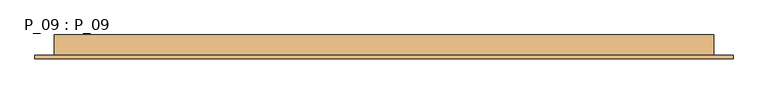
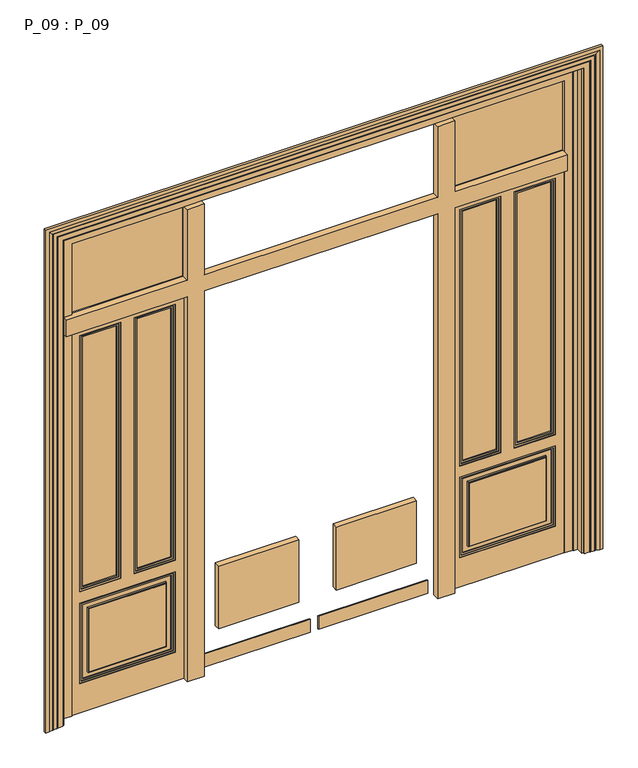
"""IFC4 building model written with IfcOpenShell, lengths in millimetres: door geometry, P_09 : P_09."""

from ifc_helpers import new_model, si_unit, frame, origin, origin_with_axes, place, context, project, spatial, polyline, outline, extrude, faceted_brep, source, transform, mapped, element, save


def p_09_p_09_1a4779af(model_context):
    return source(origin(), model_context, "Body", "SolidModel", [
        faceted_brep([(1155.0, -218.0, 750.0), (1395.0, -218.0, 750.0), (1395.0, -218.0, 2340.0), (1155.0, -218.0, 2340.0), (1165.0, -218.0, 2330.0), (1385.0, -218.0, 2330.0), (1385.0, -218.0, 760.0), (1165.0, -218.0, 760.0), (835.0, -218.0, 750.0), (1075.0, -218.0, 750.0), (1075.0, -218.0, 2340.0), (835.0, -218.0, 2340.0), (845.0, -218.0, 2330.0), (1065.0, -218.0, 2330.0), (1065.0, -218.0, 760.0), (845.0, -218.0, 760.0), (885.0, -218.0, 630.0), (885.0, -218.0, 230.0), (1345.0, -218.0, 230.0), (1345.0, -218.0, 630.0), (1340.0, -218.0, 625.0), (1340.0, -218.0, 235.0), (890.0, -218.0, 235.0), (890.0, -218.0, 625.0), (835.0, -218.0, 180.0), (1395.0, -218.0, 180.0), (1395.0, -218.0, 680.0), (835.0, -218.0, 680.0), (845.0, -218.0, 670.0), (1385.0, -218.0, 670.0), (1385.0, -218.0, 190.0), (845.0, -218.0, 190.0), (1165.0, -214.0, 760.0), (1165.0, -214.0, 2330.0), (1165.0, -192.0, 2330.0), (1165.0, -196.0, 2330.0), (1165.0, -196.0, 760.0), (1165.0, -192.0, 760.0), (1385.0, -196.0, 760.0), (1385.0, -192.0, 760.0), (1385.0, -214.0, 760.0), (1385.0, -196.0, 2330.0), (1385.0, -192.0, 2330.0), (1385.0, -214.0, 2330.0), (845.0, -214.0, 760.0), (845.0, -214.0, 2330.0), (845.0, -192.0, 2330.0), (845.0, -196.0, 2330.0), (845.0, -196.0, 760.0), (845.0, -192.0, 760.0), (1065.0, -196.0, 760.0), (1065.0, -192.0, 760.0), (1065.0, -214.0, 760.0), (1065.0, -196.0, 2330.0), (1065.0, -192.0, 2330.0), (1065.0, -214.0, 2330.0), (845.0, -214.0, 190.0), (845.0, -214.0, 670.0), (845.0, -192.0, 670.0), (845.0, -196.0, 670.0), (845.0, -196.0, 190.0), (845.0, -192.0, 190.0), (1385.0, -196.0, 190.0), (1385.0, -192.0, 190.0), (1385.0, -214.0, 190.0), (1385.0, -196.0, 670.0), (1385.0, -192.0, 670.0), (1385.0, -214.0, 670.0), (1345.0, -210.0, 630.0), (885.0, -210.0, 630.0), (885.0, -192.0, 630.0), (885.0, -200.0, 630.0), (1345.0, -200.0, 630.0), (1345.0, -192.0, 630.0), (1345.0, -200.0, 230.0), (1345.0, -192.0, 230.0), (1345.0, -210.0, 230.0), (885.0, -200.0, 230.0), (885.0, -192.0, 230.0), (885.0, -210.0, 230.0), (890.0, -188.0, 625.0), (890.0, -192.0, 625.0), (1340.0, -192.0, 625.0), (1340.0, -188.0, 625.0), (1340.0, -222.0, 625.0), (890.0, -222.0, 625.0), (890.0, -222.0, 235.0), (890.0, -188.0, 235.0), (890.0, -192.0, 235.0), (1340.0, -222.0, 235.0), (1340.0, -188.0, 235.0), (1340.0, -192.0, 235.0), (1155.0, -222.0, 750.0), (1155.0, -222.0, 2340.0), (1155.0, -188.0, 2340.0), (1155.0, -192.0, 2340.0), (1155.0, -192.0, 750.0), (1155.0, -188.0, 750.0), (1395.0, -188.0, 750.0), (1395.0, -192.0, 750.0), (1395.0, -192.0, 2340.0), (1395.0, -188.0, 2340.0), (1395.0, -222.0, 2340.0), (1395.0, -222.0, 750.0), (835.0, -222.0, 750.0), (835.0, -222.0, 2340.0), (835.0, -188.0, 2340.0), (835.0, -192.0, 2340.0), (835.0, -192.0, 750.0), (835.0, -188.0, 750.0), (1075.0, -188.0, 750.0), (1075.0, -192.0, 750.0), (1075.0, -192.0, 2340.0), (1075.0, -188.0, 2340.0), (1075.0, -222.0, 2340.0), (1075.0, -222.0, 750.0), (835.0, -222.0, 180.0), (835.0, -222.0, 680.0), (835.0, -188.0, 680.0), (835.0, -192.0, 680.0), (835.0, -192.0, 180.0), (835.0, -188.0, 180.0), (1395.0, -222.0, 680.0), (1395.0, -188.0, 680.0), (1395.0, -192.0, 680.0), (1395.0, -222.0, 180.0), (1395.0, -188.0, 180.0), (1395.0, -192.0, 180.0), (785.0, -222.0, 2390.0), (785.0, -222.0, 0.0), (1445.0, -222.0, 0.0), (1445.0, -222.0, 2390.0), (1445.0, -210.0, 0.0), (1445.0, -200.0, 0.0), (1445.0, -188.0, 0.0), (1445.0, -188.0, 2390.0), (1445.0, -200.0, 2390.0), (1445.0, -210.0, 2390.0), (785.0, -188.0, 2390.0), (785.0, -188.0, 0.0), (785.0, -210.0, 0.0), (785.0, -200.0, 0.0), (785.0, -210.0, 2390.0), (785.0, -200.0, 2390.0), (1175.0, -214.0, 2320.0), (1375.0, -214.0, 2320.0), (1375.0, -214.0, 770.0), (1175.0, -214.0, 770.0), (855.0, -214.0, 2320.0), (1055.0, -214.0, 2320.0), (1055.0, -214.0, 770.0), (855.0, -214.0, 770.0), (855.0, -214.0, 660.0), (1375.0, -214.0, 660.0), (1375.0, -214.0, 200.0), (855.0, -214.0, 200.0), (855.0, -196.0, 660.0), (855.0, -196.0, 200.0), (1375.0, -196.0, 200.0), (1375.0, -196.0, 660.0), (1175.0, -196.0, 2320.0), (1175.0, -196.0, 770.0), (1375.0, -196.0, 770.0), (1375.0, -196.0, 2320.0), (855.0, -196.0, 2320.0), (855.0, -196.0, 770.0), (1055.0, -196.0, 770.0), (1055.0, -196.0, 2320.0), (855.0, -210.0, 200.0), (1375.0, -210.0, 200.0), (1375.0, -210.0, 660.0), (855.0, -210.0, 660.0), (855.0, -200.0, 660.0), (1375.0, -200.0, 660.0), (1375.0, -200.0, 200.0), (855.0, -200.0, 200.0), (1175.0, -210.0, 770.0), (1175.0, -200.0, 770.0), (1175.0, -200.0, 2320.0), (1175.0, -210.0, 2320.0), (1375.0, -210.0, 770.0), (1375.0, -200.0, 770.0), (1375.0, -210.0, 2320.0), (1375.0, -200.0, 2320.0), (855.0, -210.0, 770.0), (855.0, -200.0, 770.0), (855.0, -200.0, 2320.0), (855.0, -210.0, 2320.0), (1055.0, -210.0, 770.0), (1055.0, -200.0, 770.0), (1055.0, -210.0, 2320.0), (1055.0, -200.0, 2320.0)], [[[0, 1, 2, 3], [4, 5, 6, 7]], [[8, 9, 10, 11], [12, 13, 14, 15]], [[16, 17, 18, 19], [20, 21, 22, 23]], [[24, 25, 26, 27], [28, 29, 30, 31]], [[7, 32, 33, 4]], [[34, 35, 36, 37]], [[37, 36, 38, 39]], [[6, 40, 32, 7]], [[39, 38, 41, 42]], [[5, 43, 40, 6]], [[15, 44, 45, 12]], [[46, 47, 48, 49]], [[49, 48, 50, 51]], [[14, 52, 44, 15]], [[51, 50, 53, 54]], [[13, 55, 52, 14]], [[31, 56, 57, 28]], [[58, 59, 60, 61]], [[61, 60, 62, 63]], [[30, 64, 56, 31]], [[63, 62, 65, 66]], [[29, 67, 64, 30]], [[28, 57, 67, 29]], [[66, 65, 59, 58]], [[19, 68, 69, 16]], [[70, 71, 72, 73]], [[73, 72, 74, 75]], [[18, 76, 68, 19]], [[75, 74, 77, 78]], [[17, 79, 76, 18]], [[16, 69, 79, 17]], [[78, 77, 71, 70]], [[80, 81, 82, 83]], [[84, 20, 23, 85]], [[85, 23, 22, 86]], [[87, 88, 81, 80]], [[86, 22, 21, 89]], [[90, 91, 88, 87]], [[83, 82, 91, 90]], [[89, 21, 20, 84]], [[92, 0, 3, 93]], [[94, 95, 96, 97]], [[98, 99, 100, 101]], [[102, 2, 1, 103]], [[97, 96, 99, 98]], [[103, 1, 0, 92]], [[104, 8, 11, 105]], [[106, 107, 108, 109]], [[110, 111, 112, 113]], [[114, 10, 9, 115]], [[109, 108, 111, 110]], [[115, 9, 8, 104]], [[116, 24, 27, 117]], [[118, 119, 120, 121]], [[117, 27, 26, 122]], [[123, 124, 119, 118]], [[122, 26, 25, 125]], [[126, 127, 124, 123]], [[121, 120, 127, 126]], [[125, 25, 24, 116]], [[70, 73, 75, 78], [81, 88, 91, 82]], [[119, 124, 127, 120], [58, 61, 63, 66]], [[95, 100, 99, 96], [34, 37, 39, 42]], [[107, 112, 111, 108], [46, 49, 51, 54]], [[128, 129, 130, 131], [117, 122, 125, 116], [93, 102, 103, 92], [105, 114, 115, 104]], [[130, 132, 133, 134, 135, 136, 137, 131]], [[138, 135, 134, 139], [94, 97, 98, 101], [106, 109, 110, 113], [118, 121, 126, 123]], [[129, 140, 141, 139, 134, 133, 132, 130]], [[128, 142, 143, 138, 139, 141, 140, 129]], [[32, 40, 43, 33], [144, 145, 146, 147]], [[44, 52, 55, 45], [148, 149, 150, 151]], [[56, 64, 67, 57], [152, 153, 154, 155]], [[59, 65, 62, 60], [156, 157, 158, 159]], [[35, 41, 38, 36], [160, 161, 162, 163]], [[47, 53, 50, 48], [164, 165, 166, 167]], [[168, 169, 170, 171], [68, 76, 79, 69]], [[172, 173, 174, 175], [71, 77, 74, 72]], [[147, 176, 177, 161, 160, 178, 179, 144]], [[146, 180, 181, 162, 161, 177, 176, 147]], [[145, 182, 183, 163, 162, 181, 180, 146]], [[151, 184, 185, 165, 164, 186, 187, 148]], [[150, 188, 189, 166, 165, 185, 184, 151]], [[149, 190, 191, 167, 166, 189, 188, 150]], [[155, 168, 171, 152]], [[156, 172, 175, 157]], [[157, 175, 174, 158]], [[154, 169, 168, 155]], [[158, 174, 173, 159]], [[153, 170, 169, 154]], [[152, 171, 170, 153]], [[159, 173, 172, 156]], [[80, 83, 90, 87]], [[85, 86, 89, 84]], [[4, 33, 43, 5]], [[42, 41, 35, 34]], [[12, 45, 55, 13]], [[54, 53, 47, 46]], [[93, 3, 2, 102]], [[101, 100, 95, 94]], [[105, 11, 10, 114]], [[113, 112, 107, 106]], [[131, 137, 136, 135, 138, 143, 142, 128]], [[144, 179, 178, 160, 163, 183, 182, 145]], [[148, 187, 186, 164, 167, 191, 190, 149]]]),
        extrude(outline(polyline([(1375.0, -203.0), (1375.0, -207.0), (1175.0, -207.0), (1175.0, -203.0), (1375.0, -203.0)])), frame((0.0, 0.0, 770.0), z_axis=(0.0, 0.0, 1.0), x_axis=(1.0, 0.0, 0.0)), (0.0, 0.0, 1.0), 1550.0),
        extrude(outline(polyline([(1055.0, -203.0), (1055.0, -207.0), (855.0, -207.0), (855.0, -203.0), (1055.0, -203.0)])), frame((0.0, 0.0, 770.0), z_axis=(0.0, 0.0, 1.0), x_axis=(1.0, 0.0, 0.0)), (0.0, 0.0, 1.0), 1550.0),
        extrude(outline(polyline([(-1175.0, -203.0), (-1175.0, -207.0), (-1375.0, -207.0), (-1375.0, -203.0), (-1175.0, -203.0)])), frame((0.0, 0.0, 770.0), z_axis=(0.0, 0.0, 1.0), x_axis=(1.0, 0.0, 0.0)), (0.0, 0.0, 1.0), 1550.0),
        extrude(outline(polyline([(-855.0, -203.0), (-855.0, -207.0), (-1055.0, -207.0), (-1055.0, -203.0), (-855.0, -203.0)])), frame((0.0, 0.0, 770.0), z_axis=(0.0, 0.0, 1.0), x_axis=(1.0, 0.0, 0.0)), (0.0, 0.0, 1.0), 1550.0),
        faceted_brep([(-835.0, -218.0, 680.0), (-1395.0, -218.0, 680.0), (-1395.0, -218.0, 180.0), (-835.0, -218.0, 180.0), (-845.0, -218.0, 670.0), (-845.0, -218.0, 190.0), (-1385.0, -218.0, 190.0), (-1385.0, -218.0, 670.0), (-885.0, -218.0, 630.0), (-1345.0, -218.0, 630.0), (-1345.0, -218.0, 230.0), (-885.0, -218.0, 230.0), (-890.0, -218.0, 625.0), (-890.0, -218.0, 235.0), (-1340.0, -218.0, 235.0), (-1340.0, -218.0, 625.0), (-1155.0, -218.0, 2340.0), (-1395.0, -218.0, 2340.0), (-1395.0, -218.0, 750.0), (-1155.0, -218.0, 750.0), (-1165.0, -218.0, 2330.0), (-1165.0, -218.0, 760.0), (-1385.0, -218.0, 760.0), (-1385.0, -218.0, 2330.0), (-835.0, -218.0, 2340.0), (-1075.0, -218.0, 2340.0), (-1075.0, -218.0, 750.0), (-835.0, -218.0, 750.0), (-845.0, -218.0, 2330.0), (-845.0, -218.0, 760.0), (-1065.0, -218.0, 760.0), (-1065.0, -218.0, 2330.0), (-1385.0, -214.0, 760.0), (-1385.0, -214.0, 2330.0), (-1385.0, -192.0, 2330.0), (-1385.0, -196.0, 2330.0), (-1385.0, -196.0, 760.0), (-1385.0, -192.0, 760.0), (-1165.0, -196.0, 760.0), (-1165.0, -192.0, 760.0), (-1165.0, -214.0, 760.0), (-1165.0, -196.0, 2330.0), (-1165.0, -192.0, 2330.0), (-1165.0, -214.0, 2330.0), (-1065.0, -214.0, 760.0), (-1065.0, -214.0, 2330.0), (-1065.0, -192.0, 2330.0), (-1065.0, -196.0, 2330.0), (-1065.0, -196.0, 760.0), (-1065.0, -192.0, 760.0), (-845.0, -196.0, 760.0), (-845.0, -192.0, 760.0), (-845.0, -214.0, 760.0), (-845.0, -196.0, 2330.0), (-845.0, -192.0, 2330.0), (-845.0, -214.0, 2330.0), (-1385.0, -214.0, 670.0), (-845.0, -214.0, 670.0), (-845.0, -192.0, 670.0), (-845.0, -196.0, 670.0), (-1385.0, -196.0, 670.0), (-1385.0, -192.0, 670.0), (-1385.0, -196.0, 190.0), (-1385.0, -192.0, 190.0), (-1385.0, -214.0, 190.0), (-845.0, -196.0, 190.0), (-845.0, -192.0, 190.0), (-845.0, -214.0, 190.0), (-1155.0, -188.0, 750.0), (-1155.0, -192.0, 750.0), (-1155.0, -192.0, 2340.0), (-1155.0, -188.0, 2340.0), (-1155.0, -222.0, 2340.0), (-1155.0, -222.0, 750.0), (-1395.0, -222.0, 750.0), (-1395.0, -188.0, 750.0), (-1395.0, -192.0, 750.0), (-1395.0, -222.0, 2340.0), (-1395.0, -188.0, 2340.0), (-1395.0, -192.0, 2340.0), (-835.0, -188.0, 750.0), (-835.0, -192.0, 750.0), (-835.0, -192.0, 2340.0), (-835.0, -188.0, 2340.0), (-835.0, -222.0, 2340.0), (-835.0, -222.0, 750.0), (-1075.0, -222.0, 750.0), (-1075.0, -188.0, 750.0), (-1075.0, -192.0, 750.0), (-1075.0, -222.0, 2340.0), (-1075.0, -188.0, 2340.0), (-1075.0, -192.0, 2340.0), (-835.0, -222.0, 680.0), (-835.0, -222.0, 180.0), (-835.0, -188.0, 180.0), (-835.0, -192.0, 180.0), (-835.0, -192.0, 680.0), (-835.0, -188.0, 680.0), (-1395.0, -222.0, 180.0), (-1395.0, -188.0, 180.0), (-1395.0, -192.0, 180.0), (-1395.0, -222.0, 680.0), (-1395.0, -188.0, 680.0), (-1395.0, -192.0, 680.0), (-885.0, -210.0, 230.0), (-885.0, -210.0, 630.0), (-885.0, -192.0, 630.0), (-885.0, -200.0, 630.0), (-885.0, -200.0, 230.0), (-885.0, -192.0, 230.0), (-1345.0, -200.0, 230.0), (-1345.0, -192.0, 230.0), (-1345.0, -210.0, 230.0), (-1345.0, -200.0, 630.0), (-1345.0, -192.0, 630.0), (-1345.0, -210.0, 630.0), (-1340.0, -188.0, 625.0), (-1340.0, -192.0, 625.0), (-890.0, -192.0, 625.0), (-890.0, -188.0, 625.0), (-890.0, -222.0, 625.0), (-1340.0, -222.0, 625.0), (-1340.0, -222.0, 235.0), (-1340.0, -188.0, 235.0), (-1340.0, -192.0, 235.0), (-890.0, -222.0, 235.0), (-890.0, -188.0, 235.0), (-890.0, -192.0, 235.0), (-785.0, -222.0, 2390.0), (-1445.0, -222.0, 2390.0), (-1445.0, -222.0, 0.0), (-785.0, -222.0, 0.0), (-1445.0, -188.0, 2390.0), (-1445.0, -188.0, 0.0), (-785.0, -188.0, 0.0), (-785.0, -188.0, 2390.0), (-855.0, -214.0, 660.0), (-855.0, -214.0, 200.0), (-1375.0, -214.0, 200.0), (-1375.0, -214.0, 660.0), (-1175.0, -214.0, 2320.0), (-1175.0, -214.0, 770.0), (-1375.0, -214.0, 770.0), (-1375.0, -214.0, 2320.0), (-855.0, -214.0, 2320.0), (-855.0, -214.0, 770.0), (-1055.0, -214.0, 770.0), (-1055.0, -214.0, 2320.0), (-1175.0, -196.0, 2320.0), (-1375.0, -196.0, 2320.0), (-1375.0, -196.0, 770.0), (-1175.0, -196.0, 770.0), (-855.0, -196.0, 2320.0), (-1055.0, -196.0, 2320.0), (-1055.0, -196.0, 770.0), (-855.0, -196.0, 770.0), (-855.0, -196.0, 660.0), (-1375.0, -196.0, 660.0), (-1375.0, -196.0, 200.0), (-855.0, -196.0, 200.0), (-1375.0, -210.0, 770.0), (-1375.0, -200.0, 770.0), (-1375.0, -200.0, 2320.0), (-1375.0, -210.0, 2320.0), (-1175.0, -210.0, 770.0), (-1175.0, -200.0, 770.0), (-1175.0, -210.0, 2320.0), (-1175.0, -200.0, 2320.0), (-1055.0, -210.0, 770.0), (-1055.0, -200.0, 770.0), (-1055.0, -200.0, 2320.0), (-1055.0, -210.0, 2320.0), (-855.0, -210.0, 770.0), (-855.0, -200.0, 770.0), (-855.0, -210.0, 2320.0), (-855.0, -200.0, 2320.0), (-1375.0, -210.0, 660.0), (-855.0, -210.0, 660.0), (-855.0, -200.0, 660.0), (-1375.0, -200.0, 660.0), (-1375.0, -200.0, 200.0), (-1375.0, -210.0, 200.0), (-855.0, -200.0, 200.0), (-855.0, -210.0, 200.0)], [[[0, 1, 2, 3], [4, 5, 6, 7]], [[8, 9, 10, 11], [12, 13, 14, 15]], [[16, 17, 18, 19], [20, 21, 22, 23]], [[24, 25, 26, 27], [28, 29, 30, 31]], [[22, 32, 33, 23]], [[34, 35, 36, 37]], [[37, 36, 38, 39]], [[21, 40, 32, 22]], [[39, 38, 41, 42]], [[20, 43, 40, 21]], [[30, 44, 45, 31]], [[46, 47, 48, 49]], [[49, 48, 50, 51]], [[29, 52, 44, 30]], [[51, 50, 53, 54]], [[28, 55, 52, 29]], [[7, 56, 57, 4]], [[58, 59, 60, 61]], [[61, 60, 62, 63]], [[6, 64, 56, 7]], [[63, 62, 65, 66]], [[5, 67, 64, 6]], [[4, 57, 67, 5]], [[66, 65, 59, 58]], [[68, 69, 70, 71]], [[72, 16, 19, 73]], [[73, 19, 18, 74]], [[75, 76, 69, 68]], [[74, 18, 17, 77]], [[78, 79, 76, 75]], [[80, 81, 82, 83]], [[84, 24, 27, 85]], [[85, 27, 26, 86]], [[87, 88, 81, 80]], [[86, 26, 25, 89]], [[90, 91, 88, 87]], [[92, 0, 3, 93]], [[94, 95, 96, 97]], [[93, 3, 2, 98]], [[99, 100, 95, 94]], [[98, 2, 1, 101]], [[102, 103, 100, 99]], [[97, 96, 103, 102]], [[101, 1, 0, 92]], [[11, 104, 105, 8]], [[106, 107, 108, 109]], [[109, 108, 110, 111]], [[10, 112, 104, 11]], [[111, 110, 113, 114]], [[9, 115, 112, 10]], [[8, 105, 115, 9]], [[114, 113, 107, 106]], [[116, 117, 118, 119]], [[120, 12, 15, 121]], [[121, 15, 14, 122]], [[123, 124, 117, 116]], [[122, 14, 13, 125]], [[126, 127, 124, 123]], [[119, 118, 127, 126]], [[125, 13, 12, 120]], [[69, 76, 79, 70], [42, 34, 37, 39]], [[81, 88, 91, 82], [54, 46, 49, 51]], [[95, 100, 103, 96], [58, 61, 63, 66]], [[106, 109, 111, 114], [117, 124, 127, 118]], [[128, 129, 130, 131], [72, 73, 74, 77], [84, 85, 86, 89], [92, 93, 98, 101]], [[129, 132, 133, 130]], [[130, 133, 134, 131]], [[135, 134, 133, 132], [97, 102, 99, 94], [71, 78, 75, 68], [83, 90, 87, 80]], [[131, 134, 135, 128]], [[57, 56, 64, 67], [136, 137, 138, 139]], [[43, 33, 32, 40], [140, 141, 142, 143]], [[55, 45, 44, 52], [144, 145, 146, 147]], [[38, 36, 35, 41], [148, 149, 150, 151]], [[50, 48, 47, 53], [152, 153, 154, 155]], [[65, 62, 60, 59], [156, 157, 158, 159]], [[142, 160, 161, 150, 149, 162, 163, 143]], [[141, 164, 165, 151, 150, 161, 160, 142]], [[140, 166, 167, 148, 151, 165, 164, 141]], [[146, 168, 169, 154, 153, 170, 171, 147]], [[145, 172, 173, 155, 154, 169, 168, 146]], [[144, 174, 175, 152, 155, 173, 172, 145]], [[139, 176, 177, 136]], [[156, 178, 179, 157]], [[157, 179, 180, 158]], [[138, 181, 176, 139]], [[158, 180, 182, 159]], [[137, 183, 181, 138]], [[136, 177, 183, 137]], [[159, 182, 178, 156]], [[177, 176, 181, 183], [105, 104, 112, 115]], [[182, 180, 179, 178], [113, 110, 108, 107]], [[119, 126, 123, 116]], [[120, 121, 122, 125]], [[23, 33, 43, 20]], [[42, 41, 35, 34]], [[31, 45, 55, 28]], [[54, 53, 47, 46]], [[71, 70, 79, 78]], [[77, 17, 16, 72]], [[83, 82, 91, 90]], [[89, 25, 24, 84]], [[128, 135, 132, 129]], [[143, 163, 162, 149, 148, 167, 166, 140]], [[147, 171, 170, 153, 152, 175, 174, 144]]]),
        faceted_brep([(1635.0, -275.0, 0.0), (1635.0, -291.0, 0.0), (1615.0, -291.0, 0.0), (1595.0, -287.0291126, 0.0), (1595.0, -286.0291126, 0.0), (1590.0, -286.0291126, 0.0), (1590.0, -285.0291126, 0.0), (1566.0, -285.0291126, 0.0), (1566.0, -284.0291126, 0.0), (1561.0, -284.0291126, 0.0), (1561.0, -283.0291126, 0.0), (1531.0, -283.0291126, 0.0), (1531.0, -275.0, 0.0), (1521.0, -275.0, 0.0), (1521.0, -230.0, 0.0), (1495.0, -230.0, 0.0), (1495.0, -226.0, 0.0), (1445.0, -226.0, 0.0), (1445.0, -184.0, 0.0), (1495.0, -184.0, 0.0), (1495.0, -180.0, 0.0), (1545.0, -180.0, 0.0), (1545.0, -275.0, 0.0), (1545.0, -275.0, 3030.0), (-1545.0, -275.0, 3030.0), (-1545.0, -275.0, 0.0), (-1635.0, -275.0, 0.0), (-1635.0, -275.0, 3120.0), (1635.0, -275.0, 3120.0), (1545.0, -180.0, 3030.0), (1495.0, -180.0, 2980.0), (-1495.0, -180.0, 2980.0), (-1495.0, -180.0, 0.0), (-1545.0, -180.0, 0.0), (-1545.0, -180.0, 3030.0), (1495.0, -184.0, 2980.0), (1495.0, -230.0, 2980.0), (1495.0, -226.0, 2980.0), (-1495.0, -184.0, 0.0), (-1495.0, -184.0, 2980.0), (1445.0, -184.0, 2930.0), (-1445.0, -184.0, 2930.0), (-1445.0, -184.0, 0.0), (1445.0, -226.0, 2390.0), (1445.0, -214.0, 2390.0), (1445.0, -214.0, 2490.0), (1445.0, -226.0, 2490.0), (1445.0, -226.0, 2930.0), (-1495.0, -226.0, 2980.0), (-1495.0, -226.0, 2490.0), (-1445.0, -226.0, 2490.0), (-1445.0, -226.0, 2930.0), (-785.0, -226.0, 2930.0), (-685.0, -226.0, 2930.0), (685.0, -226.0, 2930.0), (785.0, -226.0, 2930.0), (-1445.0, -226.0, 0.0), (-1445.0, -226.0, 2390.0), (-1495.0, -226.0, 2390.0), (-1495.0, -226.0, 0.0), (1521.0, -230.0, 3006.0), (-1521.0, -230.0, 3006.0), (-1521.0, -230.0, 0.0), (-1495.0, -230.0, 0.0), (-1495.0, -230.0, 2390.0), (-1495.0, -230.0, 2490.0), (-1495.0, -230.0, 2980.0), (1521.0, -275.0, 3006.0), (1531.0, -275.0, 3016.0), (-1531.0, -275.0, 3016.0), (-1531.0, -275.0, 0.0), (-1521.0, -275.0, 0.0), (-1521.0, -275.0, 3006.0), (1531.0, -283.0291126, 3016.0), (1561.0, -283.0291126, 3046.0), (-1561.0, -283.0291126, 3046.0), (-1561.0, -283.0291126, 0.0), (-1531.0, -283.0291126, 0.0), (-1531.0, -283.0291126, 3016.0), (1561.0, -284.0291126, 3046.0), (1566.0, -284.0291126, 3051.0), (-1566.0, -284.0291126, 3051.0), (-1566.0, -284.0291126, 0.0), (-1561.0, -284.0291126, 0.0), (-1561.0, -284.0291126, 3046.0), (1566.0, -285.0291126, 3051.0), (1590.0, -285.0291126, 3075.0), (-1590.0, -285.0291126, 3075.0), (-1590.0, -285.0291126, 0.0), (-1566.0, -285.0291126, 0.0), (-1566.0, -285.0291126, 3051.0), (1590.0, -286.0291126, 3075.0), (1595.0, -286.0291126, 3080.0), (-1595.0, -286.0291126, 3080.0), (-1595.0, -286.0291126, 0.0), (-1590.0, -286.0291126, 0.0), (-1590.0, -286.0291126, 3075.0), (1595.0, -287.0291126, 3080.0), (1615.0, -291.0, 3100.0), (1635.0, -291.0, 3120.0), (-1635.0, -291.0, 3120.0), (-1635.0, -291.0, 0.0), (-1615.0, -291.0, 0.0), (-1615.0, -291.0, 3100.0), (-1595.0, -287.0291126, 0.0), (-1595.0, -287.0291126, 3080.0), (-1445.0, -214.0, 2490.0), (-1445.0, -214.0, 2390.0), (785.0, -214.0, 0.0), (785.0, -214.0, 2390.0), (785.0, -256.0, 2390.0), (785.0, -256.0, 0.0), (785.0, -256.0, 2930.0), (785.0, -256.0, 2490.0), (785.0, -214.0, 2490.0), (785.0, -214.0, 2930.0), (685.0, -256.0, 0.0), (685.0, -214.0, 0.0), (-785.0, -256.0, 0.0), (-785.0, -214.0, 0.0), (-685.0, -214.0, 0.0), (-685.0, -256.0, 0.0), (685.0, -256.0, 2390.0), (685.0, -214.0, 2390.0), (685.0, -214.0, 2930.0), (685.0, -214.0, 2490.0), (685.0, -256.0, 2490.0), (685.0, -256.0, 2930.0), (-685.0, -214.0, 2390.0), (-685.0, -256.0, 2390.0), (-685.0, -256.0, 2930.0), (-685.0, -256.0, 2490.0), (-685.0, -214.0, 2490.0), (-685.0, -214.0, 2930.0), (-785.0, -256.0, 2390.0), (-785.0, -214.0, 2390.0), (-785.0, -214.0, 2930.0), (-785.0, -214.0, 2490.0), (-785.0, -256.0, 2490.0), (-785.0, -256.0, 2930.0), (-1495.0, -256.0, 2390.0), (1445.0, -256.0, 2390.0), (1445.0, -256.0, 2490.0), (-1495.0, -256.0, 2490.0)], [[[0, 1, 2, 3, 4, 5, 6, 7, 8, 9, 10, 11, 12, 13, 14, 15, 16, 17, 18, 19, 20, 21, 22]], [[22, 23, 24, 25, 26, 27, 28, 0]], [[22, 21, 29, 23]], [[29, 21, 20, 30, 31, 32, 33, 34]], [[20, 19, 35, 30]], [[36, 37, 16, 15]], [[38, 39, 35, 19, 18, 40, 41, 42]], [[18, 17, 43, 44, 45, 46, 47, 40]], [[16, 37, 48, 49, 50, 51, 52, 53, 54, 55, 47, 46, 43, 17]], [[56, 57, 58, 59]], [[15, 14, 60, 61, 62, 63, 64, 65, 66, 36]], [[67, 60, 14, 13]], [[12, 68, 69, 70, 71, 72, 67, 13]], [[11, 73, 68, 12]], [[10, 74, 75, 76, 77, 78, 73, 11]], [[9, 79, 74, 10]], [[8, 80, 81, 82, 83, 84, 79, 9]], [[7, 85, 80, 8]], [[6, 86, 87, 88, 89, 90, 85, 7]], [[5, 91, 86, 6]], [[4, 92, 93, 94, 95, 96, 91, 5]], [[3, 97, 92, 4]], [[2, 98, 97, 3]], [[1, 99, 100, 101, 102, 103, 98, 2]], [[0, 28, 99, 1]], [[26, 101, 100, 27]], [[25, 33, 32, 38, 42, 56, 59, 63, 62, 71, 70, 77, 76, 83, 82, 89, 88, 95, 94, 104, 102, 101, 26]], [[24, 34, 33, 25]], [[71, 62, 61, 72]], [[69, 78, 77, 70]], [[104, 105, 103, 102]], [[94, 93, 105, 104]], [[88, 87, 96, 95]], [[82, 81, 90, 89]], [[76, 75, 84, 83]], [[31, 39, 38, 32]], [[59, 58, 64, 63]], [[66, 65, 49, 48]], [[41, 51, 50, 106, 107, 57, 56, 42]], [[108, 109, 110, 111]], [[112, 113, 114, 115, 55]], [[111, 116, 117, 108]], [[118, 119, 120, 121]], [[116, 122, 123, 117]], [[54, 124, 125, 126, 127]], [[120, 128, 129, 121]], [[130, 131, 132, 133, 53]], [[118, 134, 135, 119]], [[52, 136, 137, 138, 139]], [[27, 100, 99, 28]], [[23, 29, 34, 24]], [[72, 61, 60, 67]], [[68, 73, 78, 69]], [[74, 79, 84, 75]], [[80, 85, 90, 81]], [[86, 91, 96, 87]], [[92, 97, 105, 93]], [[98, 103, 105, 97]], [[30, 35, 39, 31]], [[66, 48, 37, 36]], [[129, 128, 123, 122]], [[64, 58, 57, 107, 135, 134, 140]], [[141, 110, 109, 44, 43]], [[46, 45, 114, 113, 142]], [[126, 125, 132, 131]], [[143, 138, 137, 106, 50, 49, 65]], [[40, 47, 55, 115, 124, 54, 53, 133, 136, 52, 51, 41]], [[142, 113, 112, 127, 126, 131, 130, 139, 138, 143, 140, 134, 118, 121, 129, 122, 116, 111, 110, 141]], [[45, 44, 109, 108, 117, 123, 128, 120, 119, 135, 107, 106, 137, 136, 133, 132, 125, 124, 115, 114]], [[143, 65, 64, 140]], [[141, 43, 46, 142]], [[130, 53, 52, 139]], [[112, 55, 54, 127]]]),
        extrude(outline(polyline([(665.0, -180.0), (665.0, -188.0), (25.0, -188.0), (25.0, -180.0), (665.0, -180.0)])), origin_with_axes(), (0.0, 0.0, 1.0), 80.0),
        extrude(outline(polyline([(580.0, -188.0), (580.0, -222.0), (110.0, -222.0), (110.0, -188.0), (580.0, -188.0)])), frame((0.0, 0.0, 235.0), z_axis=(0.0, 0.0, 1.0), x_axis=(1.0, 0.0, 0.0)), (0.0, 0.0, 1.0), 390.0),
        extrude(outline(polyline([(-25.0, -180.0), (-25.0, -188.0), (-665.0, -188.0), (-665.0, -180.0), (-25.0, -180.0)])), origin_with_axes(), (0.0, 0.0, 1.0), 80.0),
        extrude(outline(polyline([(-110.0, -188.0), (-110.0, -222.0), (-580.0, -222.0), (-580.0, -188.0), (-110.0, -188.0)])), frame((0.0, 0.0, 235.0), z_axis=(0.0, 0.0, 1.0), x_axis=(1.0, 0.0, 0.0)), (0.0, 0.0, 1.0), 390.0),
        extrude(outline(polyline([(1425.0, -180.0), (1425.0, -188.0), (805.0, -188.0), (805.0, -180.0), (1425.0, -180.0)])), origin_with_axes(), (0.0, 0.0, 1.0), 80.0),
        extrude(outline(polyline([(-805.0, -180.0), (-805.0, -188.0), (-1425.0, -188.0), (-1425.0, -180.0), (-805.0, -180.0)])), origin_with_axes(), (0.0, 0.0, 1.0), 80.0),
        extrude(outline(polyline([(1445.0, -203.0), (1445.0, -207.0), (785.0, -207.0), (785.0, -203.0), (1445.0, -203.0)])), frame((0.0, 0.0, 2490.0), z_axis=(0.0, 0.0, 1.0), x_axis=(1.0, 0.0, 0.0)), (0.0, 0.0, 1.0), 440.0),
        extrude(outline(polyline([(-785.0, -203.0), (-785.0, -207.0), (-1445.0, -207.0), (-1445.0, -203.0), (-785.0, -203.0)])), frame((0.0, 0.0, 2490.0), z_axis=(0.0, 0.0, 1.0), x_axis=(1.0, 0.0, 0.0)), (0.0, 0.0, 1.0), 440.0),
    ])


if __name__ == "__main__":
    model = new_model("IFC4")
    model_context = context("Model", 3, world=origin())
    ifc_project = project(units=[si_unit("LENGTHUNIT", "METRE", prefix="MILLI")], contexts=[model_context])
    site = spatial("IfcSite", under=ifc_project)
    building = spatial("IfcBuilding", under=site)
    placement = place(None, origin())
    p_09_p_09_shape = p_09_p_09_1a4779af(model_context)
    element("IfcDoor", 1, ObjectType="P_09 : P_09", at=placement, inside=building, context=model_context, shape_type="MappedRepresentation", body=[
        mapped(p_09_p_09_shape, transform((0.0, 0.0, 0.0), x_axis=(1.0, 0.0, 0.0), y_axis=(0.0, 1.0, 0.0), z_axis=(0.0, 0.0, 1.0))),
    ])
    save(model, "model.ifc")
